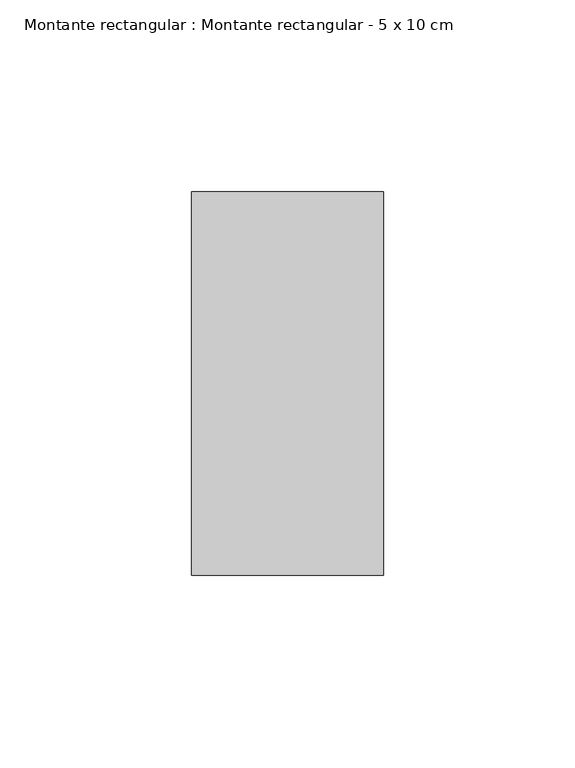
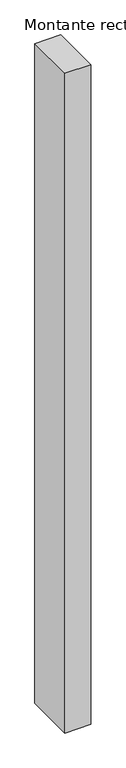
"""IFC4 building model written with IfcOpenShell, lengths in millimetres: member geometry, Montante rectangular : Montante rectangular - 5 x 10 cm."""

from ifc_helpers import new_model, si_unit, frame, origin, place, context, project, spatial, polyline, outline, extrude, source, transform, mapped, element, save


def montante_rectangular_montante_rectangular_5_x_10_cm_06289f31(model_context):
    return source(origin(), model_context, "Body", "SweptSolid", [
        extrude(outline(polyline([(-50.0, 50.0), (0.0, 50.0), (0.0, -50.0), (-50.0, -50.0), (-50.0, 50.0)])), frame((0.0, 0.0, -1340.157981), z_axis=(0.0, 0.0, 1.0), x_axis=(1.0, 0.0, 0.0)), (0.0, 0.0, 1.0), 1340.157981),
    ])


if __name__ == "__main__":
    model = new_model("IFC4")
    model_context = context("Model", 3, world=origin())
    ifc_project = project(units=[si_unit("LENGTHUNIT", "METRE", prefix="MILLI")], contexts=[model_context])
    site = spatial("IfcSite", under=ifc_project)
    building = spatial("IfcBuilding", under=site)
    placement = place(None, origin())
    montante_rectangular_montante_rectangular_5_x_10_cm_shape = montante_rectangular_montante_rectangular_5_x_10_cm_06289f31(model_context)
    element("IfcMember", 1, ObjectType="Montante rectangular : Montante rectangular - 5 x 10 cm", at=placement, inside=building, context=model_context, shape_type="MappedRepresentation", body=[
        mapped(montante_rectangular_montante_rectangular_5_x_10_cm_shape, transform((0.0, 0.0, 0.0), x_axis=(1.0, 0.0, 0.0), y_axis=(0.0, 1.0, 0.0), z_axis=(0.0, 0.0, 1.0))),
    ])
    save(model, "model.ifc")
